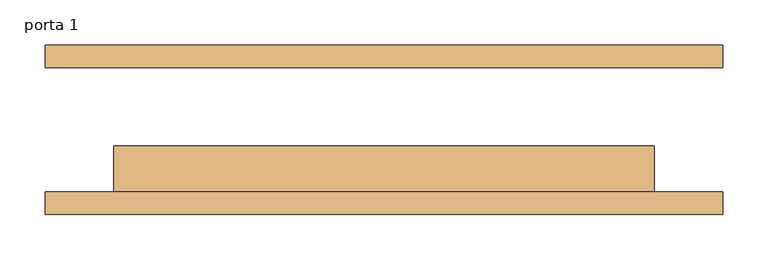
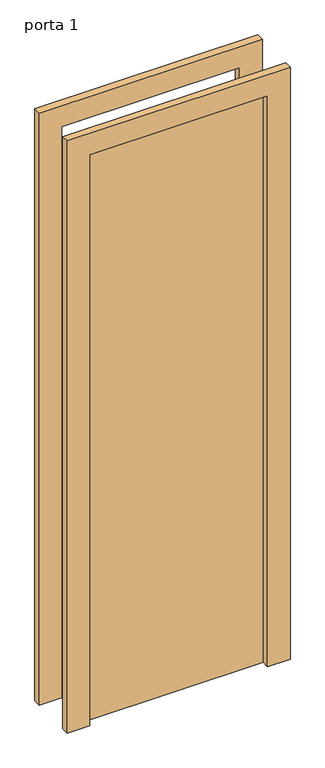
"""IFC4 building model written with IfcOpenShell, lengths in millimetres: door geometry, porta 1."""

from ifc_helpers import new_model, si_unit, frame, origin, origin_with_axes, place, context, project, spatial, polyline, outline, extrude, source, transform, mapped, element, save


def porta_1_90ef287d(model_context):
    return source(origin(), model_context, "Body", "SweptSolid", [
        extrude(outline(polyline([(2108.0, -376.0), (0.0, -376.0), (0.0, -300.0), (2032.0, -300.0), (2032.0, 300.0), (0.0, 300.0), (0.0, 376.0), (2108.0, 376.0), (2108.0, -376.0)])), frame((0.0, -94.25, 0.0), z_axis=(0.0, 1.0, 0.0), x_axis=(0.0, 0.0, 1.0)), (0.0, 0.0, 1.0), 25.0),
        extrude(outline(polyline([(2108.0, 376.0), (2108.0, -376.0), (0.0, -376.0), (0.0, -300.0), (2032.0, -300.0), (2032.0, 300.0), (0.0, 300.0), (0.0, 376.0), (2108.0, 376.0)])), frame((0.0, 69.25, 0.0), z_axis=(0.0, 1.0, 0.0), x_axis=(0.0, 0.0, 1.0)), (0.0, 0.0, 1.0), 25.0),
        extrude(outline(polyline([(300.0, -18.25), (300.0, -69.25), (-300.0, -69.25), (-300.0, -18.25), (300.0, -18.25)])), origin_with_axes(), (0.0, 0.0, 1.0), 2032.0),
    ])


if __name__ == "__main__":
    model = new_model("IFC4")
    model_context = context("Model", 3, world=origin())
    ifc_project = project(units=[si_unit("LENGTHUNIT", "METRE", prefix="MILLI")], contexts=[model_context])
    site = spatial("IfcSite", under=ifc_project)
    building = spatial("IfcBuilding", under=site)
    placement = place(None, origin())
    porta_1_shape = porta_1_90ef287d(model_context)
    element("IfcDoor", 1, ObjectType="porta 1", at=placement, inside=building, context=model_context, shape_type="MappedRepresentation", body=[
        mapped(porta_1_shape, transform((0.0, 0.0, 0.0), x_axis=(1.0, 0.0, 0.0), y_axis=(0.0, 1.0, 0.0), z_axis=(0.0, 0.0, 1.0))),
    ])
    save(model, "model.ifc")
